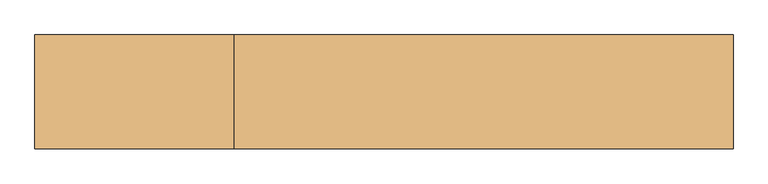
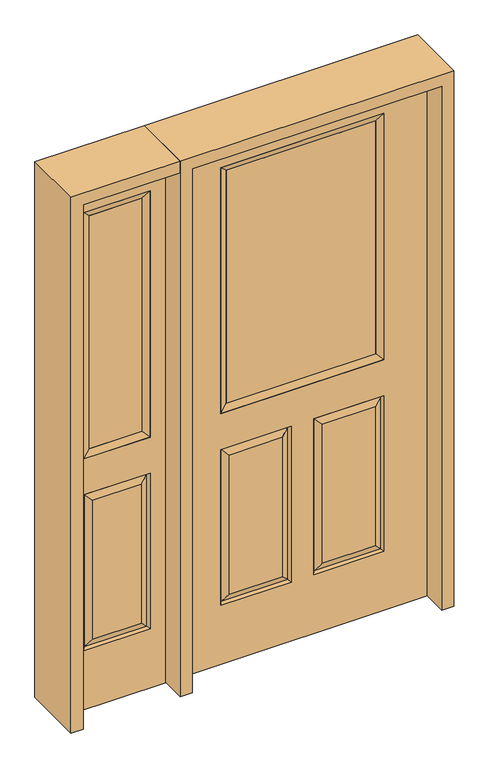
"""IFC4 building model written with IfcOpenShell, lengths in millimetres: door geometry."""

from ifc_helpers import new_model, si_unit, frame, origin, place, context, project, spatial, polyline, outline, extrude, faceted_brep, source, transform, mapped, element, save


def door_cb728fa5(model_context):
    return source(origin(), model_context, "Body", "SolidModel", [
        faceted_brep([(-457.2, -22.225, 0.0), (457.2, -22.225, 0.0), (457.2, -22.225, 2032.0), (-457.2, -22.225, 2032.0), (-299.339, -22.225, 971.55), (-299.339, -22.225, 1925.574), (299.339, -22.225, 1925.574), (299.339, -22.225, 971.55), (-299.339, -22.225, 831.85), (-41.275, -22.225, 831.85), (-41.275, -22.225, 228.6), (-299.339, -22.225, 228.6), (41.275, -22.225, 831.85), (299.339, -22.225, 831.85), (299.339, -22.225, 228.6), (41.275, -22.225, 228.6), (-73.025, -22.225, 800.1), (-267.589, -22.225, 800.1), (-267.589, -22.225, 260.35), (-73.025, -22.225, 260.35), (267.589, -22.225, 800.1), (73.025, -22.225, 800.1), (73.025, -22.225, 260.35), (267.589, -22.225, 260.35), (-457.2, 22.225, 0.0), (457.2, 22.225, 0.0), (457.2, 22.225, 2032.0), (-457.2, 22.225, 2032.0), (-299.339, 22.225, 971.55), (-299.339, 22.225, 1925.574), (299.339, 22.225, 1925.574), (299.339, 22.225, 971.55), (-41.275, 22.225, 831.85), (-299.339, 22.225, 831.85), (-299.339, 22.225, 228.6), (-41.275, 22.225, 228.6), (299.339, 22.225, 831.85), (41.275, 22.225, 831.85), (41.275, 22.225, 228.6), (299.339, 22.225, 228.6), (-267.589, 22.225, 800.1), (-73.025, 22.225, 800.1), (-73.025, 22.225, 260.35), (-267.589, 22.225, 260.35), (73.025, 22.225, 800.1), (267.589, 22.225, 800.1), (267.589, 22.225, 260.35), (73.025, 22.225, 260.35), (-48.41875, -12.7449236, 824.70625), (-292.19525, -12.7449236, 824.70625), (-292.19525, -12.7449236, 235.74375), (-48.41875, -12.7449236, 235.74375), (292.19525, -12.7449236, 824.70625), (48.41875, -12.7449236, 824.70625), (48.41875, -12.7449236, 235.74375), (292.19525, -12.7449236, 235.74375), (-292.19525, 12.7449236, 824.70625), (-48.41875, 12.7449236, 824.70625), (-48.41875, 12.7449236, 235.74375), (-292.19525, 12.7449236, 235.74375), (48.41875, 12.7449236, 824.70625), (292.19525, 12.7449236, 824.70625), (292.19525, 12.7449236, 235.74375), (48.41875, 12.7449236, 235.74375)], [[[0, 1, 2, 3], [4, 5, 6, 7], [8, 9, 10, 11], [12, 13, 14, 15]], [[16, 17, 18, 19]], [[20, 21, 22, 23]], [[1, 0, 24, 25]], [[2, 1, 25, 26]], [[0, 3, 27, 24]], [[5, 4, 28, 29]], [[7, 6, 30, 31]], [[4, 7, 31, 28]], [[24, 27, 26, 25], [28, 31, 30, 29], [32, 33, 34, 35], [36, 37, 38, 39]], [[40, 41, 42, 43]], [[44, 45, 46, 47]], [[3, 2, 26, 27]], [[6, 5, 29, 30]], [[16, 48, 49, 17]], [[17, 49, 50, 18]], [[51, 19, 18, 50]], [[48, 16, 19, 51]], [[49, 48, 9, 8]], [[9, 48, 51, 10]], [[10, 51, 50, 11]], [[49, 8, 11, 50]], [[52, 53, 21, 20]], [[21, 53, 54, 22]], [[22, 54, 55, 23]], [[52, 20, 23, 55]], [[53, 52, 13, 12]], [[13, 52, 55, 14]], [[54, 15, 14, 55]], [[53, 12, 15, 54]], [[56, 57, 41, 40]], [[41, 57, 58, 42]], [[42, 58, 59, 43]], [[56, 40, 43, 59]], [[57, 56, 33, 32]], [[33, 56, 59, 34]], [[58, 35, 34, 59]], [[57, 32, 35, 58]], [[44, 60, 61, 45]], [[45, 61, 62, 46]], [[63, 47, 46, 62]], [[60, 44, 47, 63]], [[61, 60, 37, 36]], [[37, 60, 63, 38]], [[38, 63, 62, 39]], [[61, 36, 39, 62]]]),
        extrude(outline(polyline([(273.939, -12.7), (-273.939, -12.7), (-273.939, 12.7), (273.939, 12.7), (273.939, -12.7)])), frame((0.0, 0.0, 996.95), z_axis=(0.0, 0.0, 1.0), x_axis=(1.0, 0.0, 0.0)), (0.0, 0.0, 1.0), 903.224),
        faceted_brep([(-299.339, -22.225, 1925.574), (-299.339, 22.225, 1925.574), (-299.339, 22.225, 971.55), (-299.339, -22.225, 971.55), (299.339, 22.225, 971.55), (299.339, -22.225, 971.55), (-273.939, 12.7, 996.95), (273.939, 12.7, 996.95), (299.339, 22.225, 1925.574), (299.339, -22.225, 1925.574), (-273.939, -12.7, 996.95), (273.939, -12.7, 996.95), (-273.939, -12.7, 1900.174), (273.939, -12.7, 1900.174), (-273.939, 12.7, 1900.174), (273.939, 12.7, 1900.174)], [[[0, 1, 2, 3]], [[3, 2, 4, 5]], [[2, 6, 7, 4]], [[5, 4, 8, 9]], [[10, 3, 5, 11]], [[12, 0, 3, 10]], [[11, 5, 9, 13]], [[6, 10, 11, 7]], [[14, 12, 10, 6]], [[7, 11, 13, 15]], [[1, 14, 6, 2]], [[4, 7, 15, 8]], [[9, 8, 1, 0]], [[13, 9, 0, 12]], [[15, 13, 12, 14]], [[8, 15, 14, 1]]]),
        faceted_brep([(-857.25, -22.225, 0.0), (-501.65, -22.225, 0.0), (-501.65, -22.225, 2032.0), (-857.25, -22.225, 2032.0), (-558.038, -22.225, 1925.574), (-558.038, -22.225, 971.55), (-800.862, -22.225, 971.55), (-800.862, -22.225, 1925.574), (-558.038, -22.225, 228.6), (-800.862, -22.225, 228.6), (-800.862, -22.225, 831.85), (-558.038, -22.225, 831.85), (-768.9559872, -22.225, 260.5060128), (-589.9440128, -22.225, 260.5060128), (-589.9440128, -22.225, 799.9439872), (-768.9559872, -22.225, 799.9439872), (-857.25, 22.225, 0.0), (-501.65, 22.225, 0.0), (-501.65, 22.225, 2032.0), (-857.25, 22.225, 2032.0), (-558.038, 22.225, 1925.574), (-558.038, 22.225, 971.55), (-800.862, 22.225, 971.55), (-800.862, 22.225, 1925.574), (-800.862, 22.225, 228.6), (-558.038, 22.225, 228.6), (-558.038, 22.225, 831.85), (-800.862, 22.225, 831.85), (-589.9440128, 22.225, 260.5060128), (-768.9559872, 22.225, 260.5060128), (-768.9559872, 22.225, 799.9439872), (-589.9440128, 22.225, 799.9439872), (-564.9580067, -13.0418409, 235.5200067), (-793.9419933, -13.0418409, 235.5200067), (-793.9419933, -13.0418409, 824.9299933), (-564.9580067, -13.0418409, 824.9299933), (-793.9419933, 13.0418409, 235.5200067), (-564.9580067, 13.0418409, 235.5200067), (-564.9580067, 13.0418409, 824.9299933), (-793.9419933, 13.0418409, 824.9299933)], [[[0, 1, 2, 3], [4, 5, 6, 7], [8, 9, 10, 11]], [[12, 13, 14, 15]], [[1, 0, 16, 17]], [[2, 1, 17, 18]], [[0, 3, 19, 16]], [[5, 4, 20, 21]], [[6, 5, 21, 22]], [[7, 6, 22, 23]], [[16, 19, 18, 17], [20, 23, 22, 21], [24, 25, 26, 27]], [[28, 29, 30, 31]], [[3, 2, 18, 19]], [[4, 7, 23, 20]], [[8, 32, 33, 9]], [[9, 33, 34, 10]], [[35, 11, 10, 34]], [[32, 8, 11, 35]], [[33, 32, 13, 12]], [[13, 32, 35, 14]], [[14, 35, 34, 15]], [[33, 12, 15, 34]], [[36, 37, 25, 24]], [[25, 37, 38, 26]], [[26, 38, 39, 27]], [[36, 24, 27, 39]], [[37, 36, 29, 28]], [[29, 36, 39, 30]], [[38, 31, 30, 39]], [[37, 28, 31, 38]]]),
        extrude(outline(polyline([(-583.438, -12.7), (-775.462, -12.7), (-775.462, 12.7), (-583.438, 12.7), (-583.438, -12.7)])), frame((0.0, 0.0, 996.95), z_axis=(0.0, 0.0, 1.0), x_axis=(1.0, 0.0, 0.0)), (0.0, 0.0, 1.0), 903.224),
        faceted_brep([(-800.862, -22.225, 1925.574), (-800.862, 22.225, 1925.574), (-800.862, 22.225, 971.55), (-800.862, -22.225, 971.55), (-558.038, 22.225, 971.55), (-558.038, -22.225, 971.55), (-775.462, 12.7, 996.95), (-583.438, 12.7, 996.95), (-558.038, 22.225, 1925.574), (-558.038, -22.225, 1925.574), (-775.462, -12.7, 996.95), (-583.438, -12.7, 996.95), (-775.462, -12.7, 1900.174), (-583.438, -12.7, 1900.174), (-775.462, 12.7, 1900.174), (-583.438, 12.7, 1900.174)], [[[0, 1, 2, 3]], [[3, 2, 4, 5]], [[2, 6, 7, 4]], [[5, 4, 8, 9]], [[10, 3, 5, 11]], [[12, 0, 3, 10]], [[11, 5, 9, 13]], [[6, 10, 11, 7]], [[14, 12, 10, 6]], [[7, 11, 13, 15]], [[1, 14, 6, 2]], [[4, 7, 15, 8]], [[9, 8, 1, 0]], [[13, 9, 0, 12]], [[15, 13, 12, 14]], [[8, 15, 14, 1]]]),
        extrude(outline(polyline([(2032.0, -501.65), (2076.45, -501.65), (2076.45, -901.7), (0.0, -901.7), (0.0, -857.25), (2032.0, -857.25), (2032.0, -501.65)])), frame((0.0, -114.3, 0.0), z_axis=(0.0, 1.0, 0.0), x_axis=(0.0, 0.0, 1.0)), (0.0, 0.0, 1.0), 228.6),
        extrude(outline(polyline([(0.0, -501.65), (0.0, -457.2), (2032.0, -457.2), (2032.0, 457.2), (0.0, 457.2), (0.0, 501.65), (2076.45, 501.65), (2076.45, -501.65), (0.0, -501.65)])), frame((0.0, -114.3, 0.0), z_axis=(0.0, 1.0, 0.0), x_axis=(0.0, 0.0, 1.0)), (0.0, 0.0, 1.0), 228.6),
    ])


if __name__ == "__main__":
    model = new_model("IFC4")
    model_context = context("Model", 3, world=origin())
    ifc_project = project(units=[si_unit("LENGTHUNIT", "METRE", prefix="MILLI")], contexts=[model_context])
    site = spatial("IfcSite", under=ifc_project)
    building = spatial("IfcBuilding", under=site)
    placement = place(None, origin())
    door_shape = door_cb728fa5(model_context)
    element("IfcDoor", 1, at=placement, inside=building, context=model_context, shape_type="MappedRepresentation", body=[
        mapped(door_shape, transform((0.0, 0.0, 0.0), x_axis=(1.0, 0.0, 0.0), y_axis=(0.0, 1.0, 0.0), z_axis=(0.0, 0.0, 1.0))),
    ])
    save(model, "model.ifc")
